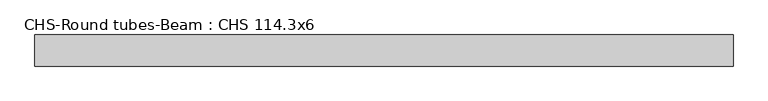
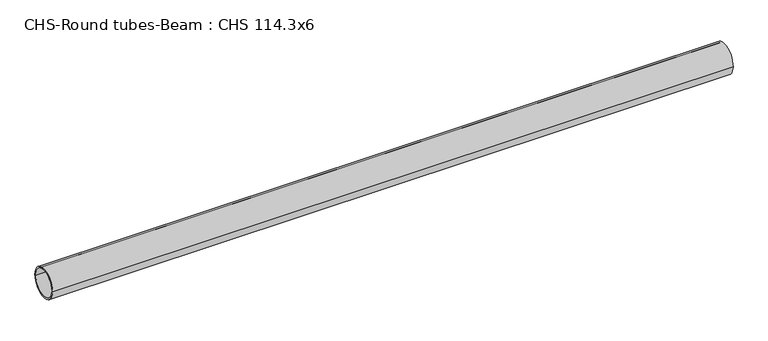
"""IFC4 building model written with IfcOpenShell, lengths in millimetres: beam geometry, CHS-Round tubes-Beam : CHS 114.3x6."""

from ifc_helpers import new_model, si_unit, point, frame, origin, origin_2d, place, context, project, spatial, circle_curve, trimmed, segment, composite_curve, outline, extrude, source, transform, mapped, element, save


def chs_round_tubes_beam_chs_114_3x6_de4f800d(model_context):
    return source(origin(), model_context, "Body", "SweptSolid", [
        extrude(outline(composite_curve([segment(trimmed(circle_curve(origin_2d(), 57.15), [point((57.15, 0.0))], [point((-57.15, 0.0))], False, "CARTESIAN"), True, "CONTINUOUS"), segment(trimmed(circle_curve(origin_2d(), 57.15), [point((-57.15, 0.0))], [point((57.15, 0.0))], False, "CARTESIAN"), True, "CONTINUOUS")], self_intersect=False), holes=[composite_curve([segment(trimmed(circle_curve(origin_2d(), 51.15), [point((51.15, 0.0))], [point((-51.15, 0.0))], True, "CARTESIAN"), True, "CONTINUOUS"), segment(trimmed(circle_curve(origin_2d(), 51.15), [point((-51.15, 0.0))], [point((51.15, 0.0))], True, "CARTESIAN"), True, "CONTINUOUS")], self_intersect=False)]), frame((-1113.8726994, 0.0, 0.0), z_axis=(1.0, 0.0, 0.0), x_axis=(0.0, 1.0, 0.0)), (0.0, 0.0, 1.0), 2563.57526),
    ])


if __name__ == "__main__":
    model = new_model("IFC4")
    model_context = context("Model", 3, world=origin())
    ifc_project = project(units=[si_unit("LENGTHUNIT", "METRE", prefix="MILLI")], contexts=[model_context])
    site = spatial("IfcSite", under=ifc_project)
    building = spatial("IfcBuilding", under=site)
    placement = place(None, origin())
    chs_round_tubes_beam_chs_114_3x6_shape = chs_round_tubes_beam_chs_114_3x6_de4f800d(model_context)
    element("IfcBeam", 1, ObjectType="CHS-Round tubes-Beam : CHS 114.3x6", at=placement, inside=building, context=model_context, shape_type="MappedRepresentation", body=[
        mapped(chs_round_tubes_beam_chs_114_3x6_shape, transform((0.0, 0.0, 0.0), x_axis=(1.0, 0.0, 0.0), y_axis=(0.0, 1.0, 0.0), z_axis=(0.0, 0.0, 1.0))),
    ])
    save(model, "model.ifc")
